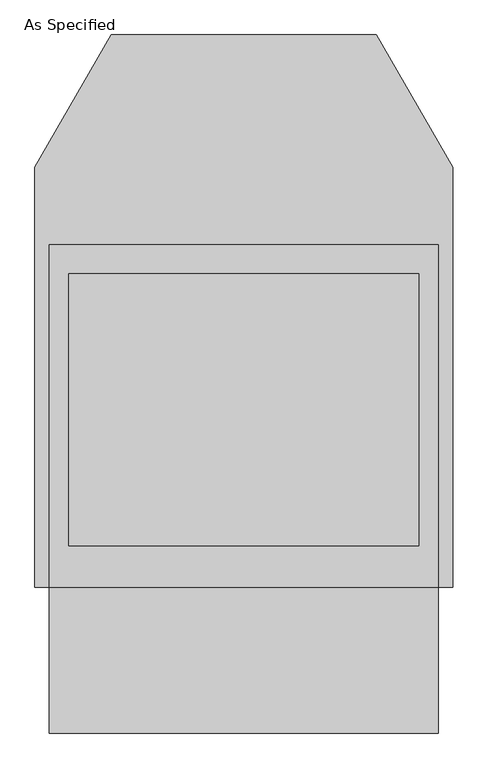
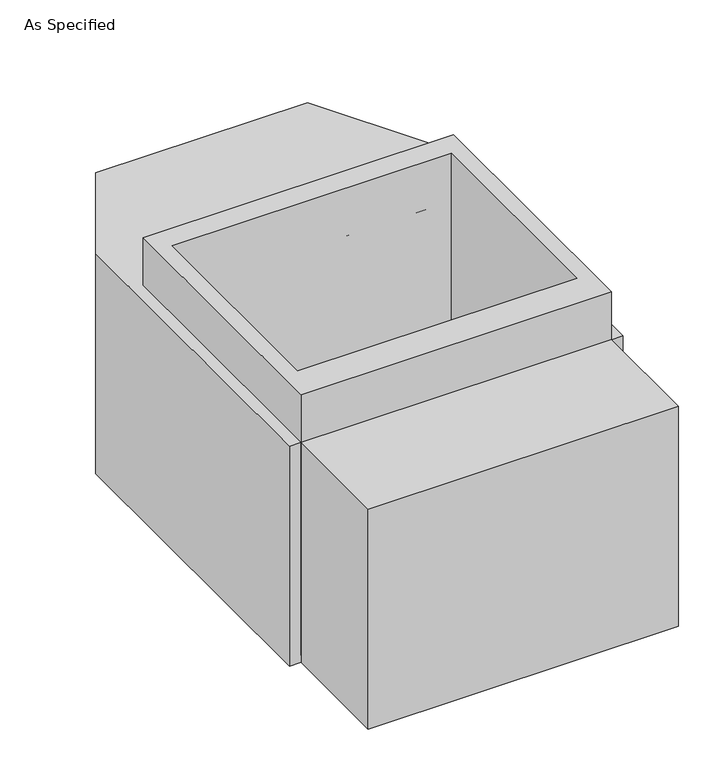
"""IFC4 building model written with IfcOpenShell, lengths in millimetres: proxy geometry, As Specified."""

from ifc_helpers import new_model, si_unit, frame, origin, place, context, project, spatial, polyline, outline, extrude, faceted_brep, source, transform, mapped, element, save


def as_specified_7c2d125b(model_context):
    return source(origin(), model_context, "Body", "SolidModel", [
        extrude(outline(polyline([(508.0, 363.8351562), (508.0, -531.5148438), (-508.0, -531.5148438), (-508.0, 363.8351562), (508.0, 363.8351562)]), holes=[polyline([(-457.2, 287.6748437), (-457.2, -423.5251563), (457.2, -423.5251563), (457.2, 287.6748437), (-457.2, 287.6748437)])]), frame((0.0, 0.0, -762.0), z_axis=(0.0, 0.0, 1.0), x_axis=(1.0, 0.0, 0.0)), (0.0, 0.0, 1.0), 901.7),
        faceted_brep([(508.0, -912.5148438, -787.4), (-508.0, -912.5148438, -787.4), (-508.0, -531.5148438, -787.4), (-546.1, -531.5148438, -787.4), (-546.1, 567.0748437, -787.4), (-346.660123, 912.5148437, -787.4), (346.660123, 912.5148437, -787.4), (546.1, 567.0748437, -787.4), (546.1, -531.5148438, -787.4), (508.0, -531.5148438, -787.4), (508.0, -912.5148438, -25.4), (508.0, -531.5148438, -25.4), (546.1, -531.5148438, -25.4), (546.1, 567.0748437, -25.4), (346.660123, 912.5148437, -25.4), (-346.660123, 912.5148437, -25.4), (-546.1, 567.0748437, -25.4), (-546.1, -531.5148438, -25.4), (-508.0, -531.5148438, -25.4), (-508.0, -912.5148438, -25.4), (457.2, 287.6748437, -25.4), (457.2, -423.5251563, -25.4), (-457.2, -423.5251563, -25.4), (-457.2, 287.6748437, -25.4), (457.2, 287.6748437, -762.0), (-457.2, 287.6748437, -762.0), (-457.2, -423.5251563, -762.0), (457.2, -423.5251563, -762.0)], [[[0, 1, 2, 3, 4, 5, 6, 7, 8, 9]], [[10, 11, 12, 13, 14, 15, 16, 17, 18, 19], [20, 21, 22, 23]], [[6, 5, 15, 14]], [[3, 17, 16, 4]], [[17, 3, 2, 18]], [[8, 12, 11, 9]], [[12, 8, 7, 13]], [[0, 9, 11, 10]], [[2, 1, 19, 18]], [[1, 0, 10, 19]], [[5, 4, 16, 15]], [[7, 6, 14, 13]], [[24, 25, 26, 27]], [[24, 27, 21, 20]], [[27, 26, 22, 21]], [[26, 25, 23, 22]], [[25, 24, 20, 23]]]),
    ])


if __name__ == "__main__":
    model = new_model("IFC4")
    model_context = context("Model", 3, world=origin())
    ifc_project = project(units=[si_unit("LENGTHUNIT", "METRE", prefix="MILLI")], contexts=[model_context])
    site = spatial("IfcSite", under=ifc_project)
    building = spatial("IfcBuilding", under=site)
    placement = place(None, origin())
    as_specified_shape = as_specified_7c2d125b(model_context)
    element("IfcBuildingElementProxy", 1, Name="As Specified", ObjectType="As Specified", at=placement, inside=building, context=model_context, shape_type="MappedRepresentation", body=[
        mapped(as_specified_shape, transform((0.0, 0.0, 0.0), x_axis=(1.0, 0.0, 0.0), y_axis=(0.0, 1.0, 0.0), z_axis=(0.0, 0.0, 1.0))),
    ])
    save(model, "model.ifc")
